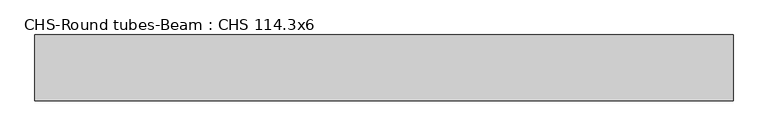
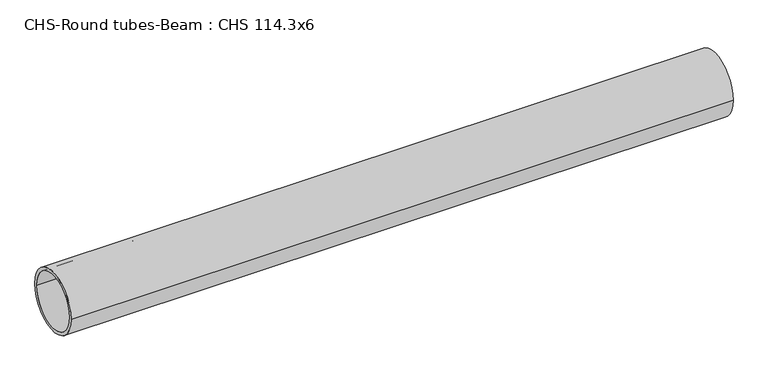
"""IFC4 building model written with IfcOpenShell, lengths in millimetres: beam geometry, CHS-Round tubes-Beam : CHS 114.3x6."""

from ifc_helpers import new_model, si_unit, point, frame, origin, origin_2d, place, context, project, spatial, circle_curve, trimmed, segment, composite_curve, outline, extrude, source, transform, mapped, element, save


def chs_round_tubes_beam_chs_114_3x6_7377a38a(model_context):
    return source(origin(), model_context, "Body", "SweptSolid", [
        extrude(outline(composite_curve([segment(trimmed(circle_curve(origin_2d(), 57.15), [point((57.15, 0.0))], [point((-57.15, 0.0))], False, "CARTESIAN"), True, "CONTINUOUS"), segment(trimmed(circle_curve(origin_2d(), 57.15), [point((-57.15, 0.0))], [point((57.15, 0.0))], False, "CARTESIAN"), True, "CONTINUOUS")], self_intersect=False), holes=[composite_curve([segment(trimmed(circle_curve(origin_2d(), 51.15), [point((51.15, 0.0))], [point((-51.15, 0.0))], True, "CARTESIAN"), True, "CONTINUOUS"), segment(trimmed(circle_curve(origin_2d(), 51.15), [point((-51.15, 0.0))], [point((51.15, 0.0))], True, "CARTESIAN"), True, "CONTINUOUS")], self_intersect=False)]), frame((-490.1958519, 0.0, 0.0), z_axis=(1.0, 0.0, 0.0), x_axis=(0.0, 1.0, 0.0)), (0.0, 0.0, 1.0), 1209.0687415),
    ])


if __name__ == "__main__":
    model = new_model("IFC4")
    model_context = context("Model", 3, world=origin())
    ifc_project = project(units=[si_unit("LENGTHUNIT", "METRE", prefix="MILLI")], contexts=[model_context])
    site = spatial("IfcSite", under=ifc_project)
    building = spatial("IfcBuilding", under=site)
    placement = place(None, origin())
    chs_round_tubes_beam_chs_114_3x6_shape = chs_round_tubes_beam_chs_114_3x6_7377a38a(model_context)
    element("IfcBeam", 1, ObjectType="CHS-Round tubes-Beam : CHS 114.3x6", at=placement, inside=building, context=model_context, shape_type="MappedRepresentation", body=[
        mapped(chs_round_tubes_beam_chs_114_3x6_shape, transform((0.0, 0.0, 0.0), x_axis=(1.0, 0.0, 0.0), y_axis=(0.0, 1.0, 0.0), z_axis=(0.0, 0.0, 1.0))),
    ])
    save(model, "model.ifc")
